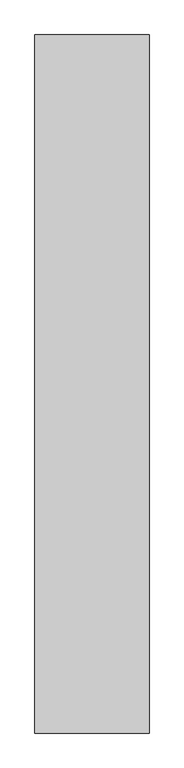
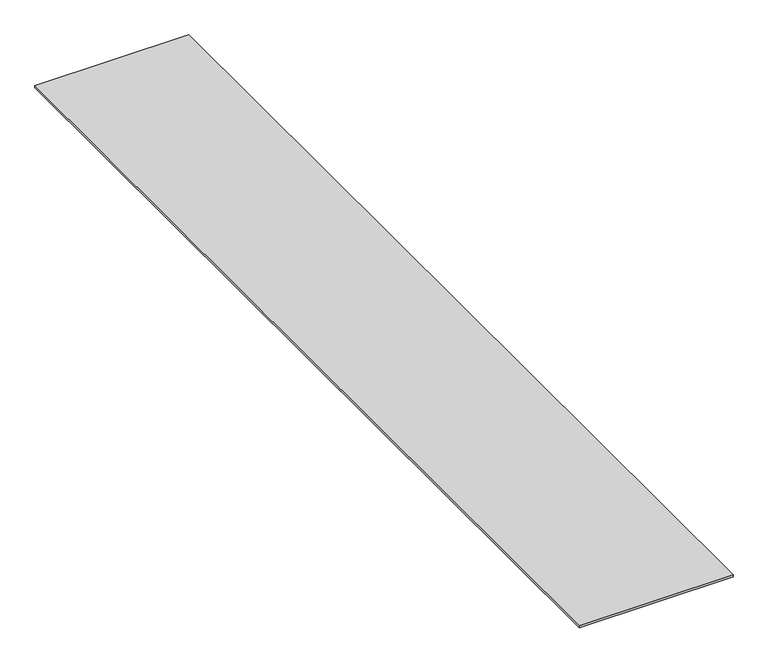
"""IFC4 building model written with IfcOpenShell, lengths in millimetres: proxy geometry."""

from ifc_helpers import new_model, si_unit, frame, origin, place, context, project, spatial, polyline, outline, extrude, source, transform, mapped, element, save


def generic_models_cbed8c93(model_context):
    return source(origin(), model_context, "Body", "SweptSolid", [
        extrude(outline(polyline([(37605.2710168, -18662.4264268), (37605.2710168, -25196.3529893), (36536.9618586, -25196.3529893), (36536.9618586, -18662.4264268), (37605.2710168, -18662.4264268)])), frame((0.0, 0.0, 4673.6), z_axis=(0.0, 0.0, 1.0), x_axis=(1.0, 0.0, 0.0)), (0.0, 0.0, 1.0), 12.7),
    ])


if __name__ == "__main__":
    model = new_model("IFC4")
    model_context = context("Model", 3, world=origin())
    ifc_project = project(units=[si_unit("LENGTHUNIT", "METRE", prefix="MILLI")], contexts=[model_context])
    site = spatial("IfcSite", under=ifc_project)
    building = spatial("IfcBuilding", under=site)
    placement = place(None, origin())
    generic_models_shape = generic_models_cbed8c93(model_context)
    element("IfcBuildingElementProxy", 1, Name="Generic Models", at=placement, inside=building, context=model_context, shape_type="MappedRepresentation", body=[
        mapped(generic_models_shape, transform((0.0, 0.0, 0.0), x_axis=(1.0, 0.0, 0.0), y_axis=(0.0, 1.0, 0.0), z_axis=(0.0, 0.0, 1.0))),
    ])
    save(model, "model.ifc")
